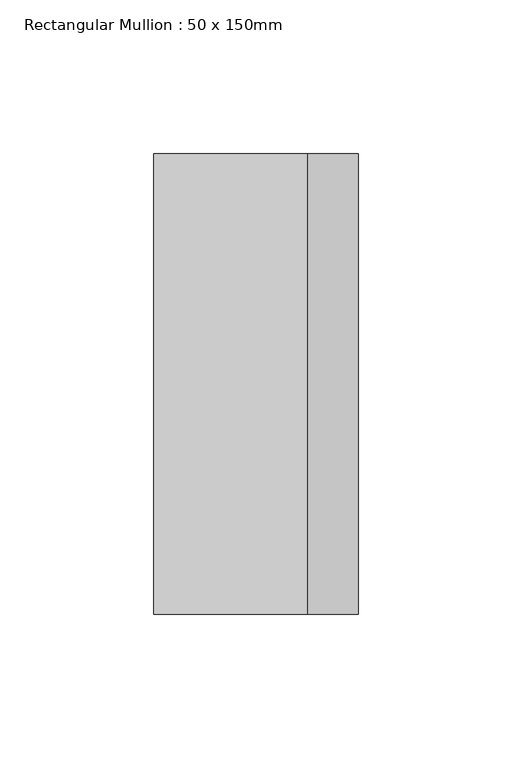
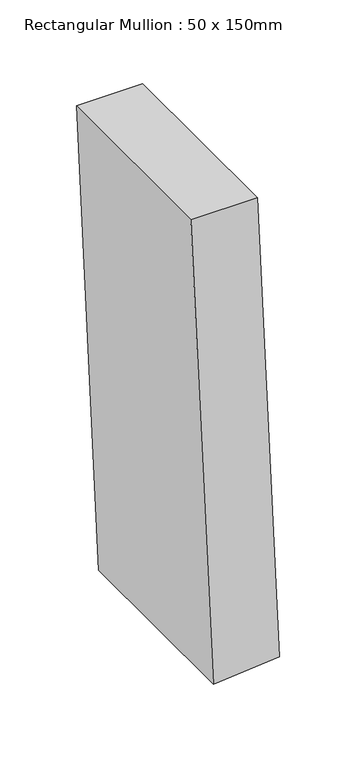
"""IFC4 building model written with IfcOpenShell, lengths in millimetres: member geometry, Rectangular Mullion : 50 x 150mm."""

from ifc_helpers import new_model, si_unit, point, frame, frame_2d, origin, place, context, project, spatial, polyline, circle_curve, trimmed, segment, composite_curve, outline, extrude, source, transform, mapped, element, save


def rectangular_mullion_50_x_150mm_a6e2263e(model_context):
    return source(origin(), model_context, "Body", "SweptSolid", [
        extrude(outline(composite_curve([segment(trimmed(circle_curve(frame_2d((0.0, 4163.3746917)), 4163.3746917), [point((-371.731855, 16.6284671))], [point((0.0, 0.0))], True, "CARTESIAN"), True, "CONTINUOUS"), segment(polyline([(0.0, 0.0), (0.0, -50.0)]), True, "CONTINUOUS"), segment(trimmed(circle_curve(frame_2d((0.0, 4163.3746917)), 4213.3746917), [point((0.0, -50.0))], [point((-376.1961644, -33.1718335))], False, "CARTESIAN"), True, "CONTINUOUS"), segment(polyline([(-376.1961644, -33.1718335), (-371.731855, 16.6284671)]), True, "CONTINUOUS")], self_intersect=False)), frame((0.0, -75.0, 0.0), z_axis=(0.0, 1.0, 0.0), x_axis=(0.0, 0.0, 1.0)), (0.0, 0.0, 1.0), 150.0),
    ])


if __name__ == "__main__":
    model = new_model("IFC4")
    model_context = context("Model", 3, world=origin())
    ifc_project = project(units=[si_unit("LENGTHUNIT", "METRE", prefix="MILLI")], contexts=[model_context])
    site = spatial("IfcSite", under=ifc_project)
    building = spatial("IfcBuilding", under=site)
    placement = place(None, origin())
    rectangular_mullion_50_x_150mm_shape = rectangular_mullion_50_x_150mm_a6e2263e(model_context)
    element("IfcMember", 1, ObjectType="Rectangular Mullion : 50 x 150mm", at=placement, inside=building, context=model_context, shape_type="MappedRepresentation", body=[
        mapped(rectangular_mullion_50_x_150mm_shape, transform((0.0, 0.0, 0.0), x_axis=(1.0, 0.0, 0.0), y_axis=(0.0, 1.0, 0.0), z_axis=(0.0, 0.0, 1.0))),
    ])
    save(model, "model.ifc")
